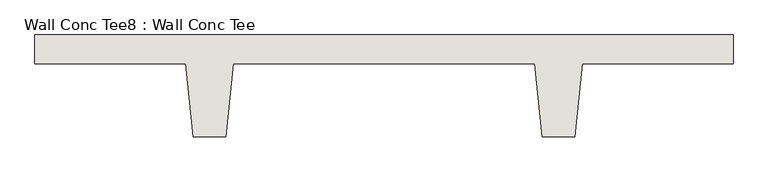
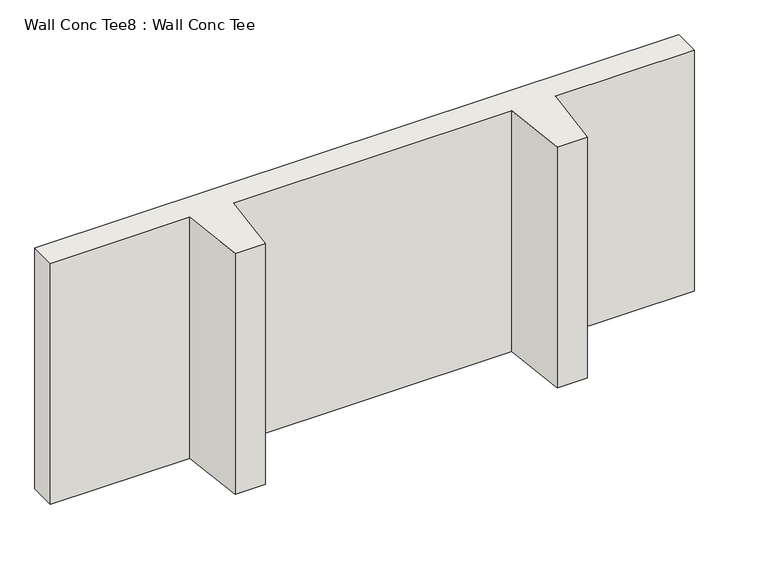
"""IFC4 building model written with IfcOpenShell, lengths in millimetres: wall geometry, Wall Conc Tee8 : Wall Conc Tee."""

from ifc_helpers import new_model, si_unit, frame, origin, place, context, project, spatial, polyline, outline, extrude, source, transform, mapped, element, save


def wall_conc_tee8_wall_conc_tee_fad7c04a(model_context):
    return source(origin(), model_context, "Body", "SweptSolid", [
        extrude(outline(polyline([(227241.8728488, 159042.8596581), (227241.8728488, 158941.2596581), (226714.8228488, 158941.2596581), (226689.4228488, 158687.2596581), (226575.1228488, 158687.2596581), (226549.7228488, 158941.2596581), (225495.6228488, 158941.2596581), (225470.2228488, 158687.2596581), (225355.9228488, 158687.2596581), (225330.5228488, 158941.2596581), (224803.4728488, 158941.2596581), (224803.4728488, 159042.8596581), (227241.8728488, 159042.8596581)])), frame((0.0, 0.0, 4410.9592564), z_axis=(0.0, 0.0, 1.0), x_axis=(1.0, 0.0, 0.0)), (0.0, 0.0, 1.0), 965.2087123),
    ])


if __name__ == "__main__":
    model = new_model("IFC4")
    model_context = context("Model", 3, world=origin())
    ifc_project = project(units=[si_unit("LENGTHUNIT", "METRE", prefix="MILLI")], contexts=[model_context])
    site = spatial("IfcSite", under=ifc_project)
    building = spatial("IfcBuilding", under=site)
    placement = place(None, origin())
    wall_conc_tee8_wall_conc_tee_shape = wall_conc_tee8_wall_conc_tee_fad7c04a(model_context)
    element("IfcWall", 1, ObjectType="Wall Conc Tee8 : Wall Conc Tee", at=placement, inside=building, context=model_context, shape_type="MappedRepresentation", body=[
        mapped(wall_conc_tee8_wall_conc_tee_shape, transform((0.0, 0.0, 0.0), x_axis=(1.0, 0.0, 0.0), y_axis=(0.0, 1.0, 0.0), z_axis=(0.0, 0.0, 1.0))),
    ])
    save(model, "model.ifc")
